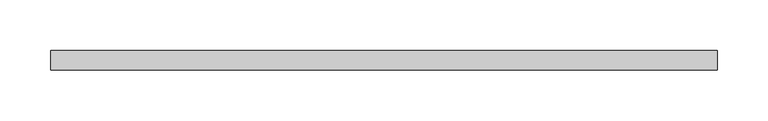
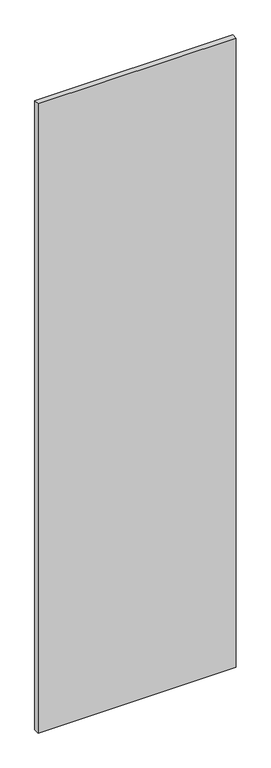
"""IFC4 building model written with IfcOpenShell, lengths in millimetres: proxy geometry."""

from ifc_helpers import new_model, si_unit, frame, origin, place, context, project, spatial, polyline, outline, extrude, source, transform, mapped, element, save


def specialty_equipment_56b479f3(model_context):
    return source(origin(), model_context, "Body", "SweptSolid", [
        extrude(outline(polyline([(328.3204, 9.525), (328.3204, -9.525), (-328.3204, -9.525), (-328.3204, 9.525), (328.3204, 9.525)])), frame((0.0, 0.0, 3.175), z_axis=(0.0, 0.0, 1.0), x_axis=(1.0, 0.0, 0.0)), (0.0, 0.0, 1.0), 2203.45),
    ])


if __name__ == "__main__":
    model = new_model("IFC4")
    model_context = context("Model", 3, world=origin())
    ifc_project = project(units=[si_unit("LENGTHUNIT", "METRE", prefix="MILLI")], contexts=[model_context])
    site = spatial("IfcSite", under=ifc_project)
    building = spatial("IfcBuilding", under=site)
    placement = place(None, origin())
    specialty_equipment_shape = specialty_equipment_56b479f3(model_context)
    element("IfcBuildingElementProxy", 1, Name="Specialty Equipment", at=placement, inside=building, context=model_context, shape_type="MappedRepresentation", body=[
        mapped(specialty_equipment_shape, transform((0.0, 0.0, 0.0), x_axis=(1.0, 0.0, 0.0), y_axis=(0.0, 1.0, 0.0), z_axis=(0.0, 0.0, 1.0))),
    ])
    save(model, "model.ifc")
